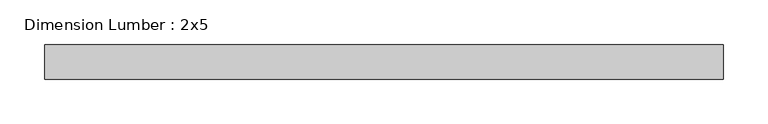
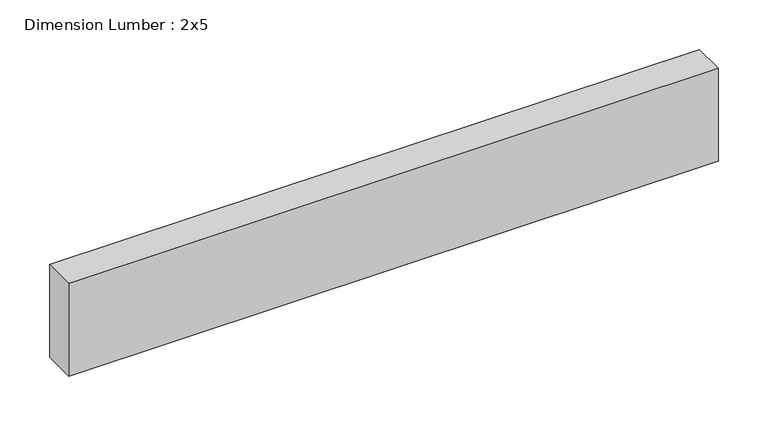
"""IFC4 building model written with IfcOpenShell, lengths in millimetres: beam geometry, Dimension Lumber : 2x5."""

from ifc_helpers import new_model, si_unit, frame, origin, place, context, project, spatial, polyline, outline, extrude, source, transform, mapped, element, save


def dimension_lumber_2x5_8ace5f88(model_context):
    return source(origin(), model_context, "Body", "SweptSolid", [
        extrude(outline(polyline([(377.8902681, 19.05), (377.8902681, -19.05), (-377.8902681, -19.05), (-377.8902681, 19.05), (377.8902681, 19.05)])), frame((0.0, 0.0, -57.15), z_axis=(0.0, 0.0, 1.0), x_axis=(1.0, 0.0, 0.0)), (0.0, 0.0, 1.0), 114.3),
    ])


if __name__ == "__main__":
    model = new_model("IFC4")
    model_context = context("Model", 3, world=origin())
    ifc_project = project(units=[si_unit("LENGTHUNIT", "METRE", prefix="MILLI")], contexts=[model_context])
    site = spatial("IfcSite", under=ifc_project)
    building = spatial("IfcBuilding", under=site)
    placement = place(None, origin())
    dimension_lumber_2x5_shape = dimension_lumber_2x5_8ace5f88(model_context)
    element("IfcBeam", 1, ObjectType="Dimension Lumber : 2x5", at=placement, inside=building, context=model_context, shape_type="MappedRepresentation", body=[
        mapped(dimension_lumber_2x5_shape, transform((0.0, 0.0, 0.0), x_axis=(1.0, 0.0, 0.0), y_axis=(0.0, 1.0, 0.0), z_axis=(0.0, 0.0, 1.0))),
    ])
    save(model, "model.ifc")
